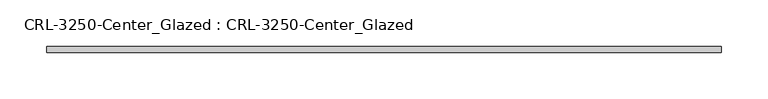
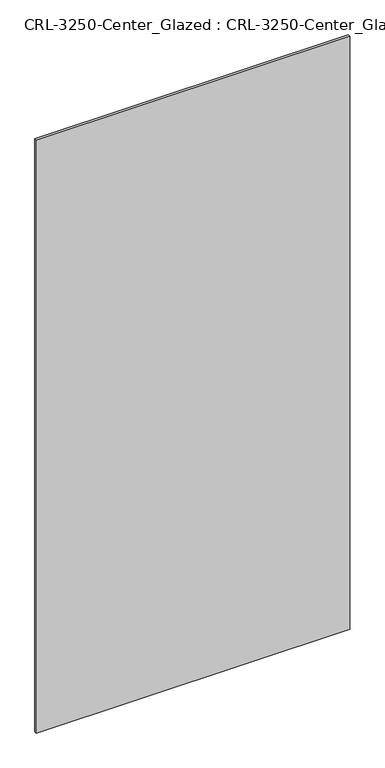
"""IFC4 building model written with IfcOpenShell, lengths in millimetres: plate geometry, CRL-3250-Center_Glazed : CRL-3250-Center_Glazed."""

import ifcopenshell
import ifcopenshell.guid

model = None  # the IFC model being written
_history = None  # IfcOwnerHistory: only IFC2X3 demands one
_inside = {}  # id of a spatial element -> (the spatial element, [elements in it])
_under = {}  # id of a project, library or spatial element -> (it, [spatial elements below it])
_declared = {}  # id of a project -> (the project, [libraries it declares])
_typed = {}  # id of a type object -> (the type object, [elements of that type])
_made_of = {}  # id of a material, layer set ... -> (it, [elements and type objects made of it])


def new_model(schema):
    """Start an empty IFC model of exactly this schema.

    Asked for "IFC4X3", IfcOpenShell would pick the latest addendum, in which some entities
    have other attributes; the version numbers below select the first issue.
    IFC2X3 requires an IfcOwnerHistory on every rooted entity: one is made here for all.
    """
    global model, _history
    if schema == "IFC4X3":
        model = ifcopenshell.file(schema_version=(4, 3, 0, 0))
    else:
        model = ifcopenshell.file(schema=schema)
    _inside.clear()
    _under.clear()
    _declared.clear()
    _typed.clear()
    _made_of.clear()
    _history = None
    if model.schema == "IFC2X3":
        org = make("IfcOrganization", Name="unknown")
        user = make(
            "IfcPersonAndOrganization",
            ThePerson=make("IfcPerson", FamilyName="unknown"),
            TheOrganization=org,
        )
        app = make(
            "IfcApplication",
            ApplicationDeveloper=org,
            Version="unknown",
            ApplicationFullName="unknown",
            ApplicationIdentifier="unknown",
        )
        _history = make(
            "IfcOwnerHistory",
            OwningUser=user,
            OwningApplication=app,
            ChangeAction="ADDED",
            CreationDate=0,
        )
    return model


def make(cls, **values):
    """One entity of the class cls with the attributes given. An attribute that is None is left unset."""
    return model.create_entity(
        cls, **{name: value for name, value in values.items() if value is not None}
    )


def rooted(cls, **values):
    """An entity with a GlobalId (a new one), such as an element, a storey or a relation."""
    return make(cls, GlobalId=ifcopenshell.guid.new(), OwnerHistory=_history, **values)


def si_unit(unit_type, name, prefix=None):
    """IfcSIUnit, for example si_unit("LENGTHUNIT", "METRE", prefix="MILLI")."""
    return make("IfcSIUnit", UnitType=unit_type, Prefix=prefix, Name=name)


def assignment(units):
    """IfcUnitAssignment: the units of a project."""
    return None if units is None else make("IfcUnitAssignment", Units=units)


def point(xyz):
    """IfcCartesianPoint."""
    return None if xyz is None else make("IfcCartesianPoint", Coordinates=xyz)


def direction(xyz):
    """IfcDirection."""
    return None if xyz is None else make("IfcDirection", DirectionRatios=xyz)


def frame(location, z_axis=None, x_axis=None):
    """IfcAxis2Placement3D, a coordinate frame: its origin and axes. An axis left out is left unset."""
    return make(
        "IfcAxis2Placement3D",
        Location=point(location),
        Axis=direction(z_axis),
        RefDirection=direction(x_axis),
    )


def origin():
    """The frame at (0, 0, 0) with its axes left unset."""
    return frame((0.0, 0.0, 0.0))


def origin_with_axes():
    """The frame at (0, 0, 0) with the z axis (0, 0, 1) and the x axis (1, 0, 0) written out."""
    return frame((0.0, 0.0, 0.0), z_axis=(0.0, 0.0, 1.0), x_axis=(1.0, 0.0, 0.0))


def place(relative_to, where):
    """IfcLocalPlacement: puts the frame where relative to a parent placement (None: the world)."""
    return make(
        "IfcLocalPlacement", PlacementRelTo=relative_to, RelativePlacement=where
    )


def context(
    kind, dimensions, precision=None, world=None, true_north=None, identifier=None
):
    """IfcGeometricRepresentationContext, for example the 3D "Model" context."""
    return make(
        "IfcGeometricRepresentationContext",
        ContextIdentifier=identifier,
        ContextType=kind,
        CoordinateSpaceDimension=dimensions,
        Precision=precision,
        WorldCoordinateSystem=world,
        TrueNorth=true_north,
    )


def project(units=None, contexts=None):
    """IfcProject with its units and contexts."""
    return rooted(
        "IfcProject",
        Name="project",
        RepresentationContexts=contexts,
        UnitsInContext=assignment(units),
    )


def spatial(cls, under=None, at=None, **own):
    """A site, building, storey or space (cls), placed at a placement, below another one or the project."""
    s = rooted(cls, ObjectPlacement=at, **own)
    if under is not None:
        _under.setdefault(under.id(), (under, []))[1].append(s)
    return s


def polyline(points):
    """IfcPolyline through the points."""
    return make("IfcPolyline", Points=[point(p) for p in points])


def outline(outer, holes=None, kind="AREA"):
    """IfcArbitraryClosedProfileDef: a profile drawn as a closed curve; with holes, ...WithVoids."""
    if holes is None:
        return make("IfcArbitraryClosedProfileDef", ProfileType=kind, OuterCurve=outer)
    return make(
        "IfcArbitraryProfileDefWithVoids",
        ProfileType=kind,
        OuterCurve=outer,
        InnerCurves=holes,
    )


def extrude(swept, where, along, depth):
    """IfcExtrudedAreaSolid: the profile swept, set in the frame where, extruded along a direction by depth."""
    return make(
        "IfcExtrudedAreaSolid",
        SweptArea=swept,
        Position=where,
        ExtrudedDirection=direction(along),
        Depth=depth,
    )


def shape(context_of_items, identifier, shape_type, items):
    """IfcShapeRepresentation: the items that make up one representation, for example the "Body"."""
    return make(
        "IfcShapeRepresentation",
        ContextOfItems=context_of_items,
        RepresentationIdentifier=identifier,
        RepresentationType=shape_type,
        Items=items,
    )


def source(mapping_origin, context_of_items, identifier, shape_type, items):
    """IfcRepresentationMap: a shape defined once, which mapped items show again and again."""
    return make(
        "IfcRepresentationMap",
        MappingOrigin=mapping_origin,
        MappedRepresentation=shape(context_of_items, identifier, shape_type, items),
    )


def transform(
    local_origin,
    x_axis=None,
    y_axis=None,
    z_axis=None,
    scale=None,
    scale2=None,
    scale3=None,
    uniform=True,
):
    """IfcCartesianTransformationOperator3D, or its non-uniform kind. x_axis, y_axis, z_axis: its Axis1, 2, 3."""
    if uniform:
        return make(
            "IfcCartesianTransformationOperator3D",
            Axis1=direction(x_axis),
            Axis2=direction(y_axis),
            LocalOrigin=point(local_origin),
            Scale=scale,
            Axis3=direction(z_axis),
        )
    return make(
        "IfcCartesianTransformationOperator3DnonUniform",
        Axis1=direction(x_axis),
        Axis2=direction(y_axis),
        LocalOrigin=point(local_origin),
        Scale=scale,
        Axis3=direction(z_axis),
        Scale2=scale2,
        Scale3=scale3,
    )


def mapped(mapping_source, mapping_target):
    """IfcMappedItem: shows the shape of a source again, moved by a transform."""
    return make(
        "IfcMappedItem", MappingSource=mapping_source, MappingTarget=mapping_target
    )


def made_of(thing, what):
    """Note that an element or type object is made of a material, layer set ...; save() writes the relation."""
    if what is not None:
        _made_of.setdefault(what.id(), (what, []))[1].append(thing)
    return thing


def element(
    cls,
    number,
    at=None,
    inside=None,
    cuts=None,
    type_object=None,
    material=None,
    context=None,
    identifier="Body",
    shape_type=None,
    held_by="IfcProductDefinitionShape",
    body=None,
    shapes=None,
    **own,
):
    """One element of the class cls, such as IfcWall. Its Tag is "e" and its number.

    at: its placement. inside: the storey or other place that contains it. cuts: it is an
    opening in that element (IfcRelVoidsElement). A single representation is given by context,
    identifier, shape_type and body (its items); several are given by shapes. held_by: the class
    of the entity that holds the representations. save() writes the other relations.
    """
    e = rooted(cls, Tag="e%d" % number, ObjectPlacement=at, **own)
    if body is not None:
        shapes = [shape(context, identifier, shape_type, body)]
    if shapes is not None:
        e.Representation = make(held_by, Representations=shapes)
    if inside is not None:
        _inside.setdefault(inside.id(), (inside, []))[1].append(e)
    if cuts is not None:
        rooted(
            "IfcRelVoidsElement", RelatingBuildingElement=cuts, RelatedOpeningElement=e
        )
    if type_object is not None:
        _typed.setdefault(type_object.id(), (type_object, []))[1].append(e)
    return made_of(e, material)


def aggregate(whole, parts):
    """IfcRelAggregates: a whole, such as a stair, and the parts it consists of."""
    return rooted("IfcRelAggregates", RelatingObject=whole, RelatedObjects=parts)


def save(model, path):
    """Write the relations noted so far, then the file.

    IfcRelAggregates (storeys below a building ...), IfcRelContainedInSpatialStructure (elements
    in a storey), IfcRelDefinesByType, IfcRelAssociatesMaterial and IfcRelDeclares: one each for
    every whole, place, type object, material and project.
    """
    for whole, parts in _under.values():
        aggregate(whole, parts)
    for where, things in _inside.values():
        rooted(
            "IfcRelContainedInSpatialStructure",
            RelatedElements=things,
            RelatingStructure=where,
        )
    for kind, things in _typed.values():
        rooted("IfcRelDefinesByType", RelatedObjects=things, RelatingType=kind)
    for what, things in _made_of.values():
        rooted("IfcRelAssociatesMaterial", RelatedObjects=things, RelatingMaterial=what)
    for by, libraries in _declared.values():
        rooted("IfcRelDeclares", RelatingContext=by, RelatedDefinitions=libraries)
    model.write(path)


def crl_3250_center_glazed_crl_3250_center_glazed_27e21f12(model_context):
    return source(origin(), model_context, "Body", "SweptSolid", [
        extrude(outline(polyline([(361.8583365, -3.1749999), (-361.8583365, -3.1749999), (-361.8583365, 3.1749999), (361.8583365, 3.1749999), (361.8583365, -3.1749999)])), origin_with_axes(), (0.0, 0.0, 1.0), 1447.800003),
    ])


if __name__ == "__main__":
    model = new_model("IFC4")
    model_context = context("Model", 3, world=origin())
    ifc_project = project(units=[si_unit("LENGTHUNIT", "METRE", prefix="MILLI")], contexts=[model_context])
    site = spatial("IfcSite", under=ifc_project)
    building = spatial("IfcBuilding", under=site)
    placement = place(None, origin())
    crl_3250_center_glazed_crl_3250_center_glazed_shape = crl_3250_center_glazed_crl_3250_center_glazed_27e21f12(model_context)
    element("IfcPlate", 1, ObjectType="CRL-3250-Center_Glazed : CRL-3250-Center_Glazed", at=placement, inside=building, context=model_context, shape_type="MappedRepresentation", body=[
        mapped(crl_3250_center_glazed_crl_3250_center_glazed_shape, transform((0.0, 0.0, 0.0), x_axis=(1.0, 0.0, 0.0), y_axis=(0.0, 1.0, 0.0), z_axis=(0.0, 0.0, 1.0))),
    ])
    save(model, "model.ifc")
